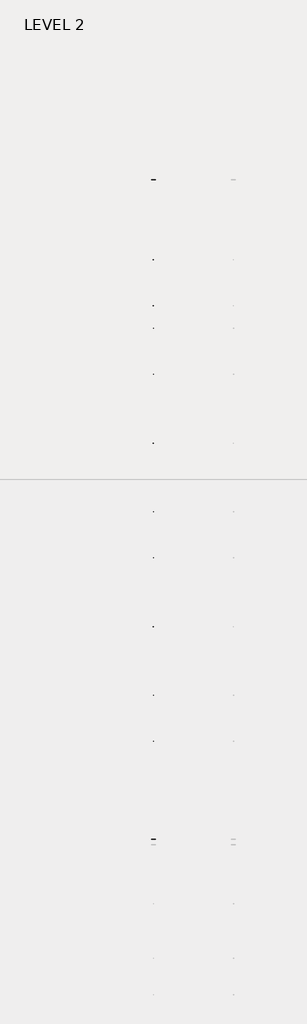
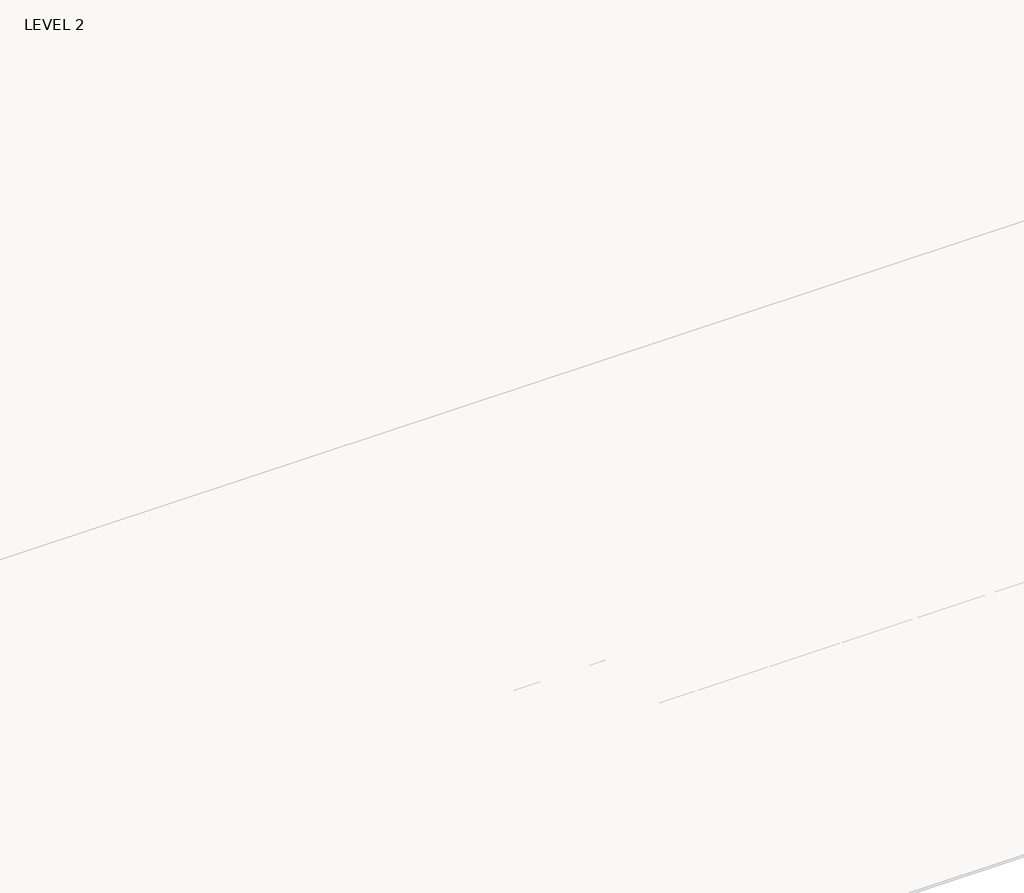
# One storey, part 32 of 67: 1 beam.
"""IFC4 building model written with IfcOpenShell, lengths in millimetres."""

from ifc_helpers import new_model, si_unit, frame, origin, place, context, project, spatial, polyline, outline, extrude, faceted_brep, element, save

model = new_model("IFC4")

# Units and contexts
model_context = context("Model", 3, world=origin())
ifc_project = project(units=[si_unit("LENGTHUNIT", "METRE", prefix="MILLI")], contexts=[model_context])

# Site, building, storey
site = spatial("IfcSite", under=ifc_project)
building = spatial("IfcBuilding", under=site)
storey = spatial("IfcBuildingStorey", under=building, Name="LEVEL 2", Elevation=6908.8)

# Beam
placement = place(None, origin())
element("IfcBeam", 1, ObjectType="K-Series Bar Joist-Angle Web : 30K7", at=placement, inside=storey, context=model_context, shape_type="SolidModel", body=[
    extrude(outline(polyline([(0.0, -9.525), (0.0, 0.0), (1596.011582, 0.0), (1596.011582, -9.525), (0.0, -9.525)])), frame((26253.0014942, 3035.5608234, 6301.5998528), z_axis=(0.0, -0.45537207995192985, 0.8903012236317849), x_axis=(0.0, -0.8903012236317849, -0.45537207995192985)), (0.0, 0.0, 1.0), 9.525),
    extrude(outline(polyline([(0.0, -9.525), (0.0, 0.0), (1596.011582, 0.0), (1596.011582, -9.525), (0.0, -9.525)])), frame((26243.4764942, -9405.2089013, 6276.405159), z_axis=(0.0, 0.45176233395621196, 0.8921383265046045), x_axis=(0.0, 0.8921383265046045, -0.45176233395621196)), (0.0, 0.0, 1.0), 9.525),
    extrude(outline(polyline([(4.7625, 4.7625), (4.7625, -4.7625), (-4.7625, -4.7625), (-4.7625, 4.7625), (4.7625, 4.7625)])), frame((26248.2389942, 1612.4610495, 5579.0607987), z_axis=(0.0, 0.5141906943646374, 0.8576758885667779), x_axis=(-1.0, 0.0, 0.0)), (0.0, 0.0, 1.0), 845.0528554),
    extrude(outline(polyline([(4.7625, 4.7625), (4.7625, -4.7625), (-4.7625, -4.7625), (-4.7625, 4.7625), (4.7625, 4.7625)])), frame((26248.2389942, -7979.1942813, 5559.6360505), z_axis=(0.0, -0.5176603441548682, 0.8555862131249332), x_axis=(-1.0, 0.0, 0.0)), (0.0, 0.0, 1.0), 845.0528554),
    extrude(outline(polyline([(0.0, 0.0), (31.75, 0.0), (31.75, -6.35), (6.35, -6.35), (6.35, -31.75), (0.0, -31.75), (0.0, 0.0)])), frame((26253.0014942, -8080.7812131, 5553.0803065), z_axis=(0.0, 0.9999979493462576, 0.0020251674695521043), x_axis=(1.0, 0.0, 0.0)), (0.0, 0.0, 1.0), 9794.875),
    extrude(outline(polyline([(-9.525, 0.0), (-9.525, -31.75), (-15.875, -31.75), (-15.875, -6.35), (-41.275, -6.35), (-41.275, 0.0), (-9.525, 0.0)])), frame((26253.0014942, -8080.7812131, 5553.0803065), z_axis=(0.0, 0.9999979493462576, 0.0020251674695521043), x_axis=(1.0, 0.0, 0.0)), (0.0, 0.0, 1.0), 9794.875),
    extrude(outline(polyline([(-31.75, 0.0), (0.0, 0.0), (0.0, -6.35), (-25.4, -6.35), (-25.4, -31.75), (-31.75, -31.75), (-31.75, 0.0)])), frame((26284.7514942, -9504.5928758, 6248.6982759), z_axis=(0.0, 0.9999979493462576, 0.0020251674695521043), x_axis=(1.0, 0.0, 0.0)), (0.0, 0.0, 1.0), 101.6),
    extrude(outline(polyline([(-41.275, 0.0), (-41.275, -31.75), (-47.625, -31.75), (-47.625, -6.35), (-73.025, -6.35), (-73.025, 0.0), (-41.275, 0.0)])), frame((26284.7514942, -9504.5928758, 6248.6982759), z_axis=(0.0, 0.9999979493462576, 0.0020251674695521043), x_axis=(1.0, 0.0, 0.0)), (0.0, 0.0, 1.0), 101.6),
    extrude(outline(polyline([(0.0, 0.0), (31.75, 0.0), (31.75, -6.35), (6.35, -6.35), (6.35, -31.75), (0.0, -31.75), (0.0, 0.0)])), frame((26243.4764942, 3033.456413, 6274.0899775), z_axis=(0.0, 0.9999979493462576, 0.0020251674695521043), x_axis=(0.0, -0.0020251674695521043, 0.9999979493462576)), (0.0, 0.0, 1.0), 101.6),
    extrude(outline(polyline([(0.0, 41.275), (6.35, 41.275), (6.35, 15.875), (31.75, 15.875), (31.75, 9.525), (0.0, 9.525), (0.0, 41.275)])), frame((26243.4764942, 3033.456413, 6274.0899775), z_axis=(0.0, 0.9999979493462576, 0.0020251674695521043), x_axis=(0.0, -0.0020251674695521043, 0.9999979493462576)), (0.0, 0.0, 1.0), 101.6),
    extrude(outline(polyline([(0.0, 0.0), (31.75, 0.0), (31.75, -6.35), (6.35, -6.35), (6.35, -31.75), (0.0, -31.75), (0.0, 0.0)])), frame((26253.0014942, -9504.7214739, 6312.1981457), z_axis=(0.0, 0.9999979493462576, 0.0020251674695521043), x_axis=(0.0, 0.0020251674695521043, -0.9999979493462576)), (0.0, 0.0, 1.0), 12639.675),
    extrude(outline(polyline([(0.0, 9.525), (0.0, 41.275), (6.35, 41.275), (6.35, 15.875), (31.75, 15.875), (31.75, 9.525), (0.0, 9.525)])), frame((26253.0014942, -9504.7214739, 6312.1981457), z_axis=(0.0, 0.9999979493462576, 0.0020251674695521043), x_axis=(0.0, 0.0020251674695521043, -0.9999979493462576)), (0.0, 0.0, 1.0), 12639.675),
    faceted_brep([(26248.2389942, 1612.4289, 5594.9357661), (26248.2389942, 1612.4674794, 5575.8858052), (26243.4764942, 1612.4674794, 5575.8858052), (26243.4764942, 1612.4289, 5594.9357661), (26248.2389942, 1611.5910583, 5594.9340693), (26248.2389942, 1186.8149607, 6330.6753354), (26248.2389942, 1168.6028414, 6330.6384527), (26248.2389942, 1168.6414208, 6311.5884918), (26248.2389942, 1175.8292494, 6311.6030483), (26248.2389942, 1600.6053471, 5575.8617823), (26243.4764942, 1600.6053471, 5575.8617823), (26243.4764942, 1580.4651011, 5610.7460665), (26243.4764942, 1584.5895575, 5613.1272983), (26243.4764942, 1189.1083632, 6298.1277874), (26243.4764942, 1184.9839067, 6295.7465555), (26243.4764942, 1175.8292494, 6311.6030483), (26243.4764942, 1168.6414208, 6311.5884918), (26243.4764942, 1168.6028414, 6330.6384527), (26243.4764942, 1186.8149607, 6330.6753354), (26243.4764942, 1611.5910583, 5594.9340693), (26230.7764942, 1184.9839067, 6295.7465555), (26230.7764942, 1580.4651011, 5610.7460665), (26230.7764942, 1584.5895575, 5613.1272983), (26230.7764942, 1189.1083632, 6298.1277874)], [[[0, 1, 2, 3]], [[1, 0, 4, 5, 6, 7, 8, 9]], [[2, 1, 9, 10]], [[3, 2, 10, 11, 12, 13, 14, 15, 16, 17, 18, 19]], [[0, 3, 19, 4]], [[9, 8, 15, 14, 20, 21, 11, 10]], [[5, 4, 19, 18]], [[7, 6, 17, 16]], [[8, 7, 16, 15]], [[6, 5, 18, 17]], [[21, 22, 12, 11]], [[20, 14, 13, 23]], [[22, 21, 20, 23]], [[12, 22, 23, 13]]]),
    extrude(outline(polyline([(740.498813, 5574.119919), (740.4602335, 5593.1698799), (741.2980751, 5593.1715767), (1163.090696, 6330.6272897), (1181.3028154, 6330.6641723), (1181.3413948, 6311.6142114), (1174.1535662, 6311.5996548), (752.3609453, 5574.1439418), (740.498813, 5574.119919)])), frame((26248.2389942, 0.0, 0.0), z_axis=(1.0, 0.0, 0.0), x_axis=(0.0, 1.0, 0.0)), (0.0, 0.0, 1.0), 4.7625),
    extrude(outline(polyline([(-4.7625, 4.7625), (-4.7625, 0.0), (-17.4625, 0.0), (-17.4625, 4.7625), (-4.7625, 4.7625)])), frame((26248.2389942, 772.3597334, 5609.1095144), z_axis=(0.0, 0.4964843899757221, 0.8680456500152716), x_axis=(-1.0, 0.0, 0.0)), (0.0, 0.0, 1.0), 790.9684223),
    faceted_brep([(26248.2389942, -7107.2577644, 5577.2769041), (26248.2389942, -7107.219185, 5558.2269432), (26243.4764942, -7107.219185, 5558.2269432), (26243.4764942, -7107.2577644, 5577.2769041), (26248.2389942, -7108.095606, 5577.2752074), (26248.2389942, -7532.8717036, 6313.0164734), (26248.2389942, -7551.083823, 6312.9795907), (26248.2389942, -7551.0452435, 6293.9296298), (26248.2389942, -7543.8574149, 6293.9441864), (26248.2389942, -7119.0813173, 5558.2029203), (26243.4764942, -7119.0813173, 5558.2029203), (26243.4764942, -7139.2215633, 5593.0872045), (26243.4764942, -7135.0971068, 5595.4684363), (26243.4764942, -7530.5783012, 6280.4689254), (26243.4764942, -7534.7027576, 6278.0876936), (26243.4764942, -7543.8574149, 6293.9441864), (26243.4764942, -7551.0452435, 6293.9296298), (26243.4764942, -7551.083823, 6312.9795907), (26243.4764942, -7532.8717036, 6313.0164734), (26243.4764942, -7108.095606, 5577.2752074), (26230.7764942, -7534.7027576, 6278.0876936), (26230.7764942, -7139.2215633, 5593.0872045), (26230.7764942, -7135.0971068, 5595.4684363), (26230.7764942, -7530.5783012, 6280.4689254)], [[[0, 1, 2, 3]], [[1, 0, 4, 5, 6, 7, 8, 9]], [[2, 1, 9, 10]], [[3, 2, 10, 11, 12, 13, 14, 15, 16, 17, 18, 19]], [[0, 3, 19, 4]], [[9, 8, 15, 14, 20, 21, 11, 10]], [[5, 4, 19, 18]], [[7, 6, 17, 16]], [[8, 7, 16, 15]], [[6, 5, 18, 17]], [[21, 22, 12, 11]], [[20, 14, 13, 23]], [[22, 21, 20, 23]], [[12, 22, 23, 13]]]),
    extrude(outline(polyline([(-7979.1878514, 5556.461057), (-7979.2264308, 5575.5110179), (-7978.3885892, 5575.5127147), (-7556.5959683, 6312.9684277), (-7538.383849, 6313.0053103), (-7538.3452696, 6293.9553494), (-7545.5330982, 6293.9407928), (-7967.3257191, 5556.4850798), (-7979.1878514, 5556.461057)])), frame((26248.2389942, 0.0, 0.0), z_axis=(1.0, 0.0, 0.0), x_axis=(0.0, 1.0, 0.0)), (0.0, 0.0, 1.0), 4.7625),
    extrude(outline(polyline([(-4.7625, 4.7625), (-4.7625, 0.0), (-17.4625, 0.0), (-17.4625, 4.7625), (-4.7625, 4.7625)])), frame((26248.2389942, -7947.326931, 5591.4506524), z_axis=(0.0, 0.4964843899757221, 0.8680456500152716), x_axis=(-1.0, 0.0, 0.0)), (0.0, 0.0, 1.0), 790.9684223),
    faceted_brep([(26248.2389942, 740.4602335, 5593.1698799), (26248.2389942, 740.498813, 5574.119919), (26243.4764942, 740.498813, 5574.119919), (26243.4764942, 740.4602335, 5593.1698799), (26248.2389942, 739.6223919, 5593.1681831), (26248.2389942, 314.8462943, 6328.9094492), (26248.2389942, 296.634175, 6328.8725665), (26248.2389942, 296.6727544, 6309.8226056), (26248.2389942, 303.860583, 6309.8371621), (26248.2389942, 728.6366806, 5574.0958961), (26243.4764942, 728.6366806, 5574.0958961), (26243.4764942, 708.4964346, 5608.9801803), (26243.4764942, 712.6208911, 5611.3614121), (26243.4764942, 317.1396968, 6296.3619012), (26243.4764942, 313.0152403, 6293.9806693), (26243.4764942, 303.860583, 6309.8371621), (26243.4764942, 296.6727544, 6309.8226056), (26243.4764942, 296.634175, 6328.8725665), (26243.4764942, 314.8462943, 6328.9094492), (26243.4764942, 739.6223919, 5593.1681831), (26230.7764942, 313.0152403, 6293.9806693), (26230.7764942, 708.4964346, 5608.9801803), (26230.7764942, 712.6208911, 5611.3614121), (26230.7764942, 317.1396968, 6296.3619012)], [[[0, 1, 2, 3]], [[1, 0, 4, 5, 6, 7, 8, 9]], [[2, 1, 9, 10]], [[3, 2, 10, 11, 12, 13, 14, 15, 16, 17, 18, 19]], [[0, 3, 19, 4]], [[9, 8, 15, 14, 20, 21, 11, 10]], [[5, 4, 19, 18]], [[7, 6, 17, 16]], [[8, 7, 16, 15]], [[6, 5, 18, 17]], [[21, 22, 12, 11]], [[20, 14, 13, 23]], [[22, 21, 20, 23]], [[12, 22, 23, 13]]]),
    extrude(outline(polyline([(-131.4698535, 5572.3540328), (-131.5084329, 5591.4039937), (-130.6705913, 5591.4056905), (291.1220296, 6328.8614035), (309.3341489, 6328.8982861), (309.3727284, 6309.8483252), (302.1848998, 6309.8337686), (-119.6077211, 5572.3780556), (-131.4698535, 5572.3540328)])), frame((26248.2389942, 0.0, 0.0), z_axis=(1.0, 0.0, 0.0), x_axis=(0.0, 1.0, 0.0)), (0.0, 0.0, 1.0), 4.7625),
    extrude(outline(polyline([(-4.7625, 4.7625), (-4.7625, 0.0), (-17.4625, 0.0), (-17.4625, 4.7625), (-4.7625, 4.7625)])), frame((26248.2389942, -99.6089331, 5607.3436282), z_axis=(0.0, 0.4964843899757221, 0.8680456500152716), x_axis=(-1.0, 0.0, 0.0)), (0.0, 0.0, 1.0), 790.9684223),
    faceted_brep([(26248.2389942, -131.5084329, 5591.4039937), (26248.2389942, -131.4698535, 5572.3540328), (26243.4764942, -131.4698535, 5572.3540328), (26243.4764942, -131.5084329, 5591.4039937), (26248.2389942, -132.3462745, 5591.4022969), (26248.2389942, -557.1223722, 6327.143563), (26248.2389942, -575.3344915, 6327.1066803), (26248.2389942, -575.295912, 6308.0567194), (26248.2389942, -568.1080834, 6308.0712759), (26248.2389942, -143.3319858, 5572.3300099), (26243.4764942, -143.3319858, 5572.3300099), (26243.4764942, -163.4722318, 5607.2142941), (26243.4764942, -159.3477753, 5609.5955259), (26243.4764942, -554.8289697, 6294.596015), (26243.4764942, -558.9534262, 6292.2147831), (26243.4764942, -568.1080834, 6308.0712759), (26243.4764942, -575.295912, 6308.0567194), (26243.4764942, -575.3344915, 6327.1066803), (26243.4764942, -557.1223722, 6327.143563), (26243.4764942, -132.3462745, 5591.4022969), (26230.7764942, -558.9534262, 6292.2147831), (26230.7764942, -163.4722318, 5607.2142941), (26230.7764942, -159.3477753, 5609.5955259), (26230.7764942, -554.8289697, 6294.596015)], [[[0, 1, 2, 3]], [[1, 0, 4, 5, 6, 7, 8, 9]], [[2, 1, 9, 10]], [[3, 2, 10, 11, 12, 13, 14, 15, 16, 17, 18, 19]], [[0, 3, 19, 4]], [[9, 8, 15, 14, 20, 21, 11, 10]], [[5, 4, 19, 18]], [[7, 6, 17, 16]], [[8, 7, 16, 15]], [[6, 5, 18, 17]], [[21, 22, 12, 11]], [[20, 14, 13, 23]], [[22, 21, 20, 23]], [[12, 22, 23, 13]]]),
    extrude(outline(polyline([(-1003.4385199, 5570.5881466), (-1003.4770993, 5589.6381075), (-1002.6392577, 5589.6398043), (-580.8466368, 6327.0955173), (-562.6345175, 6327.1323999), (-562.5959381, 6308.082439), (-569.7837667, 6308.0678824), (-991.5763876, 5570.6121694), (-1003.4385199, 5570.5881466)])), frame((26248.2389942, 0.0, 0.0), z_axis=(1.0, 0.0, 0.0), x_axis=(0.0, 1.0, 0.0)), (0.0, 0.0, 1.0), 4.7625),
    extrude(outline(polyline([(-4.7625, 4.7625), (-4.7625, 0.0), (-17.4625, 0.0), (-17.4625, 4.7625), (-4.7625, 4.7625)])), frame((26248.2389942, -971.5775995, 5605.577742), z_axis=(0.0, 0.4964843899757221, 0.8680456500152716), x_axis=(-1.0, 0.0, 0.0)), (0.0, 0.0, 1.0), 790.9684223),
    faceted_brep([(26248.2389942, -1003.4770993, 5589.6381075), (26248.2389942, -1003.4385199, 5570.5881466), (26243.4764942, -1003.4385199, 5570.5881466), (26243.4764942, -1003.4770993, 5589.6381075), (26248.2389942, -1004.314941, 5589.6364107), (26248.2389942, -1429.0910386, 6325.3776768), (26248.2389942, -1447.3031579, 6325.3407941), (26248.2389942, -1447.2645785, 6306.2908332), (26248.2389942, -1440.0767499, 6306.3053897), (26248.2389942, -1015.3006522, 5570.5641237), (26243.4764942, -1015.3006522, 5570.5641237), (26243.4764942, -1035.4408983, 5605.4484079), (26243.4764942, -1031.3164418, 5607.8296397), (26243.4764942, -1426.7976361, 6292.8301288), (26243.4764942, -1430.9220926, 6290.4488969), (26243.4764942, -1440.0767499, 6306.3053897), (26243.4764942, -1447.2645785, 6306.2908332), (26243.4764942, -1447.3031579, 6325.3407941), (26243.4764942, -1429.0910386, 6325.3776768), (26243.4764942, -1004.314941, 5589.6364107), (26230.7764942, -1430.9220926, 6290.4488969), (26230.7764942, -1035.4408983, 5605.4484079), (26230.7764942, -1031.3164418, 5607.8296397), (26230.7764942, -1426.7976361, 6292.8301288)], [[[0, 1, 2, 3]], [[1, 0, 4, 5, 6, 7, 8, 9]], [[2, 1, 9, 10]], [[3, 2, 10, 11, 12, 13, 14, 15, 16, 17, 18, 19]], [[0, 3, 19, 4]], [[9, 8, 15, 14, 20, 21, 11, 10]], [[5, 4, 19, 18]], [[7, 6, 17, 16]], [[8, 7, 16, 15]], [[6, 5, 18, 17]], [[21, 22, 12, 11]], [[20, 14, 13, 23]], [[22, 21, 20, 23]], [[12, 22, 23, 13]]]),
    extrude(outline(polyline([(-1875.4071863, 5568.8222604), (-1875.4457658, 5587.8722213), (-1874.6079242, 5587.8739181), (-1452.8153033, 6325.3296311), (-1434.6031839, 6325.3665137), (-1434.5646045, 6306.3165528), (-1441.7524331, 6306.3019962), (-1863.545054, 5568.8462832), (-1875.4071863, 5568.8222604)])), frame((26248.2389942, 0.0, 0.0), z_axis=(1.0, 0.0, 0.0), x_axis=(0.0, 1.0, 0.0)), (0.0, 0.0, 1.0), 4.7625),
    extrude(outline(polyline([(-4.7625, 4.7625001), (-4.7625, 0.0), (-17.4625, 0.0), (-17.4625, 4.7625001), (-4.7625, 4.7625001)])), frame((26248.2389942, -1843.5462659, 5603.8118558), z_axis=(0.0, 0.4964843899757221, 0.8680456500152716), x_axis=(-1.0, 0.0, 0.0)), (0.0, 0.0, 1.0), 790.9684223),
    faceted_brep([(26248.2389942, -1875.4457658, 5587.8722213), (26248.2389942, -1875.4071863, 5568.8222604), (26243.4764942, -1875.4071863, 5568.8222604), (26243.4764942, -1875.4457658, 5587.8722213), (26248.2389942, -1876.2836074, 5587.8705245), (26248.2389942, -2301.059705, 6323.6117906), (26248.2389942, -2319.2718243, 6323.5749079), (26248.2389942, -2319.2332449, 6304.524947), (26248.2389942, -2312.0454163, 6304.5395035), (26248.2389942, -1887.2693187, 5568.7982375), (26243.4764942, -1887.2693187, 5568.7982375), (26243.4764942, -1907.4095647, 5603.6825217), (26243.4764942, -1903.2851082, 5606.0637535), (26243.4764942, -2298.7663026, 6291.0642426), (26243.4764942, -2302.890759, 6288.6830107), (26243.4764942, -2312.0454163, 6304.5395035), (26243.4764942, -2319.2332449, 6304.524947), (26243.4764942, -2319.2718243, 6323.5749079), (26243.4764942, -2301.059705, 6323.6117906), (26243.4764942, -1876.2836074, 5587.8705245), (26230.7764942, -2302.890759, 6288.6830107), (26230.7764942, -1907.4095647, 5603.6825217), (26230.7764942, -1903.2851082, 5606.0637535), (26230.7764942, -2298.7663026, 6291.0642426)], [[[0, 1, 2, 3]], [[1, 0, 4, 5, 6, 7, 8, 9]], [[2, 1, 9, 10]], [[3, 2, 10, 11, 12, 13, 14, 15, 16, 17, 18, 19]], [[0, 3, 19, 4]], [[9, 8, 15, 14, 20, 21, 11, 10]], [[5, 4, 19, 18]], [[7, 6, 17, 16]], [[8, 7, 16, 15]], [[6, 5, 18, 17]], [[21, 22, 12, 11]], [[20, 14, 13, 23]], [[22, 21, 20, 23]], [[12, 22, 23, 13]]]),
    extrude(outline(polyline([(-2747.3758528, 5567.0563742), (-2747.4144322, 5586.1063351), (-2746.5765906, 5586.1080319), (-2324.7839697, 6323.5637449), (-2306.5718504, 6323.6006275), (-2306.5332709, 6304.5506666), (-2313.7210995, 6304.53611), (-2735.5137204, 5567.080397), (-2747.3758528, 5567.0563742)])), frame((26248.2389942, 0.0, 0.0), z_axis=(1.0, 0.0, 0.0), x_axis=(0.0, 1.0, 0.0)), (0.0, 0.0, 1.0), 4.7625),
    extrude(outline(polyline([(-4.7625, 4.7625), (-4.7625, 0.0), (-17.4625, 0.0), (-17.4625, 4.7625), (-4.7625, 4.7625)])), frame((26248.2389942, -2715.5149324, 5602.0459696), z_axis=(0.0, 0.4964843899757221, 0.8680456500152716), x_axis=(-1.0, 0.0, 0.0)), (0.0, 0.0, 1.0), 790.9684223),
    faceted_brep([(26248.2389942, -2747.4144322, 5586.1063351), (26248.2389942, -2747.3758528, 5567.0563742), (26243.4764942, -2747.3758528, 5567.0563742), (26243.4764942, -2747.4144322, 5586.1063351), (26248.2389942, -2748.2522738, 5586.1046383), (26248.2389942, -3173.0283715, 6321.8459044), (26248.2389942, -3191.2404908, 6321.8090217), (26248.2389942, -3191.2019113, 6302.7590608), (26248.2389942, -3184.0140827, 6302.7736173), (26248.2389942, -2759.2379851, 5567.0323513), (26243.4764942, -2759.2379851, 5567.0323513), (26243.4764942, -2779.3782311, 5601.9166355), (26243.4764942, -2775.2537747, 5604.2978673), (26243.4764942, -3170.734969, 6289.2983564), (26243.4764942, -3174.8594255, 6286.9171245), (26243.4764942, -3184.0140827, 6302.7736173), (26243.4764942, -3191.2019113, 6302.7590608), (26243.4764942, -3191.2404908, 6321.8090217), (26243.4764942, -3173.0283715, 6321.8459044), (26243.4764942, -2748.2522738, 5586.1046383), (26230.7764942, -3174.8594255, 6286.9171245), (26230.7764942, -2779.3782311, 5601.9166355), (26230.7764942, -2775.2537747, 5604.2978673), (26230.7764942, -3170.734969, 6289.2983564)], [[[0, 1, 2, 3]], [[1, 0, 4, 5, 6, 7, 8, 9]], [[2, 1, 9, 10]], [[3, 2, 10, 11, 12, 13, 14, 15, 16, 17, 18, 19]], [[0, 3, 19, 4]], [[9, 8, 15, 14, 20, 21, 11, 10]], [[5, 4, 19, 18]], [[7, 6, 17, 16]], [[8, 7, 16, 15]], [[6, 5, 18, 17]], [[21, 22, 12, 11]], [[20, 14, 13, 23]], [[22, 21, 20, 23]], [[12, 22, 23, 13]]]),
    extrude(outline(polyline([(-3619.3445192, 5565.290488), (-3619.3830987, 5584.3404489), (-3618.545257, 5584.3421457), (-3196.7526361, 6321.7978587), (-3178.5405168, 6321.8347413), (-3178.5019374, 6302.7847804), (-3185.689766, 6302.7702238), (-3607.4823869, 5565.3145108), (-3619.3445192, 5565.290488)])), frame((26248.2389942, 0.0, 0.0), z_axis=(1.0, 0.0, 0.0), x_axis=(0.0, 1.0, 0.0)), (0.0, 0.0, 1.0), 4.7625),
    extrude(outline(polyline([(-4.7625, 4.7625), (-4.7625, 0.0), (-17.4625, 0.0), (-17.4625, 4.7625), (-4.7625, 4.7625)])), frame((26248.2389942, -3587.4835988, 5600.2800834), z_axis=(0.0, 0.4964843899757221, 0.8680456500152716), x_axis=(-1.0, 0.0, 0.0)), (0.0, 0.0, 1.0), 790.9684223),
    faceted_brep([(26248.2389942, -3619.3830987, 5584.3404489), (26248.2389942, -3619.3445192, 5565.290488), (26243.4764942, -3619.3445192, 5565.290488), (26243.4764942, -3619.3830987, 5584.3404489), (26248.2389942, -3620.2209403, 5584.3387521), (26248.2389942, -4044.9970379, 6320.0800182), (26248.2389942, -4063.2091572, 6320.0431355), (26248.2389942, -4063.1705778, 6300.9931746), (26248.2389942, -4055.9827492, 6301.0077311), (26248.2389942, -3631.2066516, 5565.2664651), (26243.4764942, -3631.2066516, 5565.2664651), (26243.4764942, -3651.3468976, 5600.1507493), (26243.4764942, -3647.2224411, 5602.5319811), (26243.4764942, -4042.7036354, 6287.5324702), (26243.4764942, -4046.8280919, 6285.1512383), (26243.4764942, -4055.9827492, 6301.0077311), (26243.4764942, -4063.1705778, 6300.9931746), (26243.4764942, -4063.2091572, 6320.0431355), (26243.4764942, -4044.9970379, 6320.0800182), (26243.4764942, -3620.2209403, 5584.3387521), (26230.7764942, -4046.8280919, 6285.1512383), (26230.7764942, -3651.3468976, 5600.1507493), (26230.7764942, -3647.2224411, 5602.5319811), (26230.7764942, -4042.7036354, 6287.5324702)], [[[0, 1, 2, 3]], [[1, 0, 4, 5, 6, 7, 8, 9]], [[2, 1, 9, 10]], [[3, 2, 10, 11, 12, 13, 14, 15, 16, 17, 18, 19]], [[0, 3, 19, 4]], [[9, 8, 15, 14, 20, 21, 11, 10]], [[5, 4, 19, 18]], [[7, 6, 17, 16]], [[8, 7, 16, 15]], [[6, 5, 18, 17]], [[21, 22, 12, 11]], [[20, 14, 13, 23]], [[22, 21, 20, 23]], [[12, 22, 23, 13]]]),
    extrude(outline(polyline([(-4491.3131857, 5563.5246018), (-4491.3517651, 5582.5745627), (-4490.5139235, 5582.5762595), (-4068.7213026, 6320.0319725), (-4050.5091833, 6320.0688551), (-4050.4706038, 6301.0188942), (-4057.6584324, 6301.0043376), (-4479.4510533, 5563.5486246), (-4491.3131857, 5563.5246018)])), frame((26248.2389942, 0.0, 0.0), z_axis=(1.0, 0.0, 0.0), x_axis=(0.0, 1.0, 0.0)), (0.0, 0.0, 1.0), 4.7625),
    extrude(outline(polyline([(-4.7625, 4.7625), (-4.7625, 0.0), (-17.4625, 0.0), (-17.4625, 4.7625), (-4.7625, 4.7625)])), frame((26248.2389942, -4459.4522653, 5598.5141972), z_axis=(0.0, 0.4964843899757221, 0.8680456500152716), x_axis=(-1.0, 0.0, 0.0)), (0.0, 0.0, 1.0), 790.9684223),
    faceted_brep([(26248.2389942, -4491.3517651, 5582.5745627), (26248.2389942, -4491.3131857, 5563.5246018), (26243.4764942, -4491.3131857, 5563.5246018), (26243.4764942, -4491.3517651, 5582.5745627), (26248.2389942, -4492.1896067, 5582.572866), (26248.2389942, -4916.9657043, 6318.314132), (26248.2389942, -4935.1778236, 6318.2772493), (26248.2389942, -4935.1392442, 6299.2272884), (26248.2389942, -4927.9514156, 6299.241845), (26248.2389942, -4503.175318, 5563.5005789), (26243.4764942, -4503.175318, 5563.5005789), (26243.4764942, -4523.315564, 5598.3848631), (26243.4764942, -4519.1911075, 5600.7660949), (26243.4764942, -4914.6723019, 6285.766584), (26243.4764942, -4918.7967583, 6283.3853521), (26243.4764942, -4927.9514156, 6299.241845), (26243.4764942, -4935.1392442, 6299.2272884), (26243.4764942, -4935.1778236, 6318.2772493), (26243.4764942, -4916.9657043, 6318.314132), (26243.4764942, -4492.1896067, 5582.572866), (26230.7764942, -4918.7967583, 6283.3853521), (26230.7764942, -4523.315564, 5598.3848631), (26230.7764942, -4519.1911075, 5600.7660949), (26230.7764942, -4914.6723019, 6285.766584)], [[[0, 1, 2, 3]], [[1, 0, 4, 5, 6, 7, 8, 9]], [[2, 1, 9, 10]], [[3, 2, 10, 11, 12, 13, 14, 15, 16, 17, 18, 19]], [[0, 3, 19, 4]], [[9, 8, 15, 14, 20, 21, 11, 10]], [[5, 4, 19, 18]], [[7, 6, 17, 16]], [[8, 7, 16, 15]], [[6, 5, 18, 17]], [[21, 22, 12, 11]], [[20, 14, 13, 23]], [[22, 21, 20, 23]], [[12, 22, 23, 13]]]),
    extrude(outline(polyline([(-5363.2818521, 5561.7587156), (-5363.3204315, 5580.8086765), (-5362.4825899, 5580.8103733), (-4940.689969, 6318.2660863), (-4922.4778497, 6318.3029689), (-4922.4392703, 6299.253008), (-4929.6270988, 6299.2384514), (-5351.4197198, 5561.7827384), (-5363.2818521, 5561.7587156)])), frame((26248.2389942, 0.0, 0.0), z_axis=(1.0, 0.0, 0.0), x_axis=(0.0, 1.0, 0.0)), (0.0, 0.0, 1.0), 4.7625),
    extrude(outline(polyline([(-4.7625, 4.7625), (-4.7625, 0.0), (-17.4625, 0.0), (-17.4625, 4.7625), (-4.7625, 4.7625)])), frame((26248.2389942, -5331.4209317, 5596.748311), z_axis=(0.0, 0.4964843899757221, 0.8680456500152716), x_axis=(-1.0, 0.0, 0.0)), (0.0, 0.0, 1.0), 790.9684223),
    faceted_brep([(26248.2389942, -5363.3204315, 5580.8086765), (26248.2389942, -5363.2818521, 5561.7587156), (26243.4764942, -5363.2818521, 5561.7587156), (26243.4764942, -5363.3204315, 5580.8086765), (26248.2389942, -5364.1582731, 5580.8069798), (26248.2389942, -5788.9343708, 6316.5482458), (26248.2389942, -5807.1464901, 6316.5113631), (26248.2389942, -5807.1079106, 6297.4614022), (26248.2389942, -5799.920082, 6297.4759588), (26248.2389942, -5375.1439844, 5561.7346927), (26243.4764942, -5375.1439844, 5561.7346927), (26243.4764942, -5395.2842304, 5596.6189769), (26243.4764942, -5391.159774, 5599.0002087), (26243.4764942, -5786.6409683, 6284.0006978), (26243.4764942, -5790.7654248, 6281.6194659), (26243.4764942, -5799.920082, 6297.4759588), (26243.4764942, -5807.1079106, 6297.4614022), (26243.4764942, -5807.1464901, 6316.5113631), (26243.4764942, -5788.9343708, 6316.5482458), (26243.4764942, -5364.1582731, 5580.8069798), (26230.7764942, -5790.7654248, 6281.6194659), (26230.7764942, -5395.2842304, 5596.6189769), (26230.7764942, -5391.159774, 5599.0002087), (26230.7764942, -5786.6409683, 6284.0006978)], [[[0, 1, 2, 3]], [[1, 0, 4, 5, 6, 7, 8, 9]], [[2, 1, 9, 10]], [[3, 2, 10, 11, 12, 13, 14, 15, 16, 17, 18, 19]], [[0, 3, 19, 4]], [[9, 8, 15, 14, 20, 21, 11, 10]], [[5, 4, 19, 18]], [[7, 6, 17, 16]], [[8, 7, 16, 15]], [[6, 5, 18, 17]], [[21, 22, 12, 11]], [[20, 14, 13, 23]], [[22, 21, 20, 23]], [[12, 22, 23, 13]]]),
    extrude(outline(polyline([(-6235.2505185, 5559.9928294), (-6235.289098, 5579.0427903), (-6234.4512563, 5579.0444871), (-5812.6586354, 6316.5002001), (-5794.4465161, 6316.5370827), (-5794.4079367, 6297.4871218), (-5801.5957653, 6297.4725652), (-6223.3883862, 5560.0168522), (-6235.2505185, 5559.9928294)])), frame((26248.2389942, 0.0, 0.0), z_axis=(1.0, 0.0, 0.0), x_axis=(0.0, 1.0, 0.0)), (0.0, 0.0, 1.0), 4.7625),
    extrude(outline(polyline([(-4.7625, 4.7625), (-4.7625, 0.0), (-17.4625, 0.0), (-17.4625, 4.7625), (-4.7625, 4.7625)])), frame((26248.2389942, -6203.3895981, 5594.9824248), z_axis=(0.0, 0.4964843899757221, 0.8680456500152716), x_axis=(-1.0, 0.0, 0.0)), (0.0, 0.0, 1.0), 790.9684223),
    faceted_brep([(26248.2389942, -6235.289098, 5579.0427903), (26248.2389942, -6235.2505185, 5559.9928294), (26243.4764942, -6235.2505185, 5559.9928294), (26243.4764942, -6235.289098, 5579.0427903), (26248.2389942, -6236.1269396, 5579.0410936), (26248.2389942, -6660.9030372, 6314.7823596), (26248.2389942, -6679.1151565, 6314.7454769), (26248.2389942, -6679.0765771, 6295.695516), (26248.2389942, -6671.8887485, 6295.7100726), (26248.2389942, -6247.1126509, 5559.9688065), (26243.4764942, -6247.1126509, 5559.9688065), (26243.4764942, -6267.2528969, 5594.8530907), (26243.4764942, -6263.1284404, 5597.2343225), (26243.4764942, -6658.6096347, 6282.2348116), (26243.4764942, -6662.7340912, 6279.8535798), (26243.4764942, -6671.8887485, 6295.7100726), (26243.4764942, -6679.0765771, 6295.695516), (26243.4764942, -6679.1151565, 6314.7454769), (26243.4764942, -6660.9030372, 6314.7823596), (26243.4764942, -6236.1269396, 5579.0410936), (26230.7764942, -6662.7340912, 6279.8535798), (26230.7764942, -6267.2528969, 5594.8530907), (26230.7764942, -6263.1284404, 5597.2343225), (26230.7764942, -6658.6096347, 6282.2348116)], [[[0, 1, 2, 3]], [[1, 0, 4, 5, 6, 7, 8, 9]], [[2, 1, 9, 10]], [[3, 2, 10, 11, 12, 13, 14, 15, 16, 17, 18, 19]], [[0, 3, 19, 4]], [[9, 8, 15, 14, 20, 21, 11, 10]], [[5, 4, 19, 18]], [[7, 6, 17, 16]], [[8, 7, 16, 15]], [[6, 5, 18, 17]], [[21, 22, 12, 11]], [[20, 14, 13, 23]], [[22, 21, 20, 23]], [[12, 22, 23, 13]]]),
    extrude(outline(polyline([(-7107.219185, 5558.2269432), (-7107.2577644, 5577.2769041), (-7106.4199228, 5577.2786009), (-6684.6273019, 6314.7343139), (-6666.4151826, 6314.7711965), (-6666.3766031, 6295.7212356), (-6673.5644317, 6295.706679), (-7095.3570526, 5558.250966), (-7107.219185, 5558.2269432)])), frame((26248.2389942, 0.0, 0.0), z_axis=(1.0, 0.0, 0.0), x_axis=(0.0, 1.0, 0.0)), (0.0, 0.0, 1.0), 4.7625),
    extrude(outline(polyline([(-4.7625, 4.7625), (-4.7625, 0.0), (-17.4625, 0.0), (-17.4625, 4.7625), (-4.7625, 4.7625)])), frame((26248.2389942, -7075.3582646, 5593.2165386), z_axis=(0.0, 0.4964843899757221, 0.8680456500152716), x_axis=(-1.0, 0.0, 0.0)), (0.0, 0.0, 1.0), 790.9684223),
])

save(model, "model.ifc")
